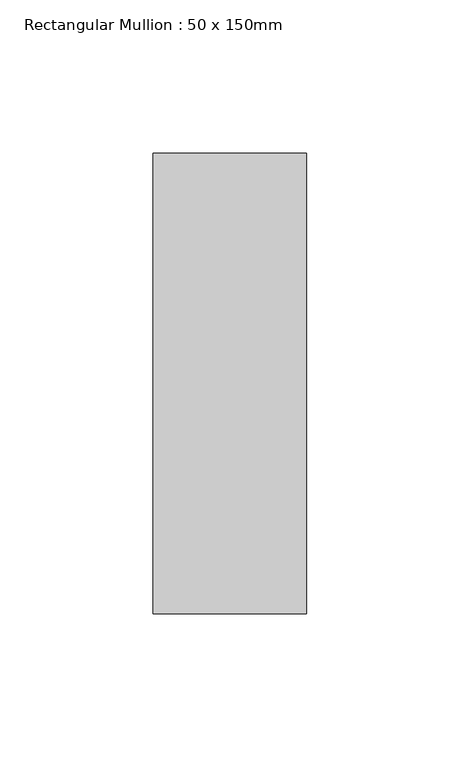
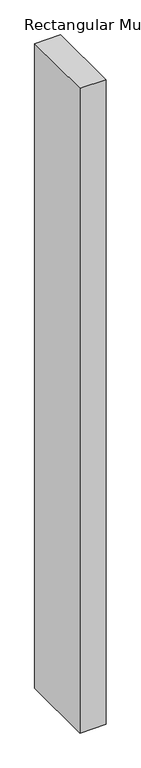
"""IFC4 building model written with IfcOpenShell, lengths in millimetres: member geometry, Rectangular Mullion : 50 x 150mm."""

from ifc_helpers import new_model, si_unit, frame, origin, place, context, project, spatial, polyline, outline, extrude, source, transform, mapped, element, save


def rectangular_mullion_50_x_150mm_cec92c62(model_context):
    return source(origin(), model_context, "Body", "SweptSolid", [
        extrude(outline(polyline([(0.0, 75.0), (0.0, -75.0), (-50.0, -75.0), (-50.0, 75.0), (0.0, 75.0)])), frame((0.0, 0.0, -1306.25), z_axis=(0.0, 0.0, 1.0), x_axis=(1.0, 0.0, 0.0)), (0.0, 0.0, 1.0), 1306.25),
    ])


if __name__ == "__main__":
    model = new_model("IFC4")
    model_context = context("Model", 3, world=origin())
    ifc_project = project(units=[si_unit("LENGTHUNIT", "METRE", prefix="MILLI")], contexts=[model_context])
    site = spatial("IfcSite", under=ifc_project)
    building = spatial("IfcBuilding", under=site)
    placement = place(None, origin())
    rectangular_mullion_50_x_150mm_shape = rectangular_mullion_50_x_150mm_cec92c62(model_context)
    element("IfcMember", 1, ObjectType="Rectangular Mullion : 50 x 150mm", at=placement, inside=building, context=model_context, shape_type="MappedRepresentation", body=[
        mapped(rectangular_mullion_50_x_150mm_shape, transform((0.0, 0.0, 0.0), x_axis=(1.0, 0.0, 0.0), y_axis=(0.0, 1.0, 0.0), z_axis=(0.0, 0.0, 1.0))),
    ])
    save(model, "model.ifc")
